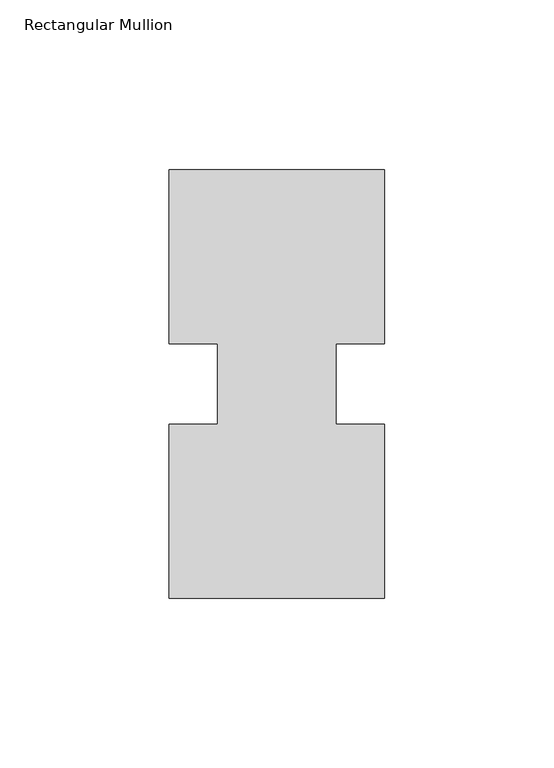
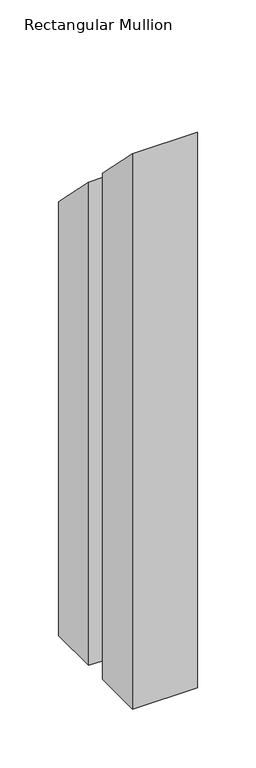
"""IFC4 building model written with IfcOpenShell, lengths in millimetres: member geometry, Rectangular Mullion."""

from ifc_helpers import new_model, si_unit, origin, place, context, project, spatial, faceted_brep, source, transform, mapped, element, save


def rectangular_mullion_bb133a45(model_context):
    return source(origin(), model_context, "Body", "Brep", [
        faceted_brep([(-63.5, 0.26035, -577.81825), (-63.5, 51.60645, -577.81825), (-49.2125, 51.60645, -577.81825), (-49.2125, 75.40625, -577.81825), (-63.5, 75.40625, -577.81825), (-63.5, 126.75235, -577.81825), (0.0, 126.75235, -577.81825), (0.0, 75.40625, -577.81825), (-14.2748, 75.40625, -577.81825), (-14.2748, 51.60645, -577.81825), (0.0, 51.60645, -577.81825), (0.0, 0.26035, -577.81825), (-63.5, 0.26035, -0.26035), (-63.5, 51.60645, -51.60645), (-49.2125, 51.60645, -51.60645), (-49.2125, 75.40625, -75.40625), (-63.5, 75.40625, -75.40625), (-63.5, 126.75235, -126.75235), (0.0, 126.75235, -126.75235), (0.0, 75.40625, -75.40625), (-14.2748, 75.40625, -75.40625), (-14.2748, 51.60645, -51.60645), (0.0, 51.60645, -51.60645), (0.0, 0.26035, -0.26035)], [[[0, 1, 2, 3, 4, 5, 6, 7, 8, 9, 10, 11]], [[12, 13, 1, 0]], [[13, 14, 2, 1]], [[14, 15, 3, 2]], [[15, 16, 4, 3]], [[16, 17, 5, 4]], [[17, 18, 6, 5]], [[18, 19, 7, 6]], [[19, 20, 8, 7]], [[20, 21, 9, 8]], [[21, 22, 10, 9]], [[22, 23, 11, 10]], [[23, 12, 0, 11]], [[12, 23, 22, 21, 20, 19, 18, 17, 16, 15, 14, 13]]]),
    ])


if __name__ == "__main__":
    model = new_model("IFC4")
    model_context = context("Model", 3, world=origin())
    ifc_project = project(units=[si_unit("LENGTHUNIT", "METRE", prefix="MILLI")], contexts=[model_context])
    site = spatial("IfcSite", under=ifc_project)
    building = spatial("IfcBuilding", under=site)
    placement = place(None, origin())
    rectangular_mullion_shape = rectangular_mullion_bb133a45(model_context)
    element("IfcMember", 1, ObjectType="Rectangular Mullion", at=placement, inside=building, context=model_context, shape_type="MappedRepresentation", body=[
        mapped(rectangular_mullion_shape, transform((0.0, 0.0, 0.0), x_axis=(1.0, 0.0, 0.0), y_axis=(0.0, 1.0, 0.0), z_axis=(0.0, 0.0, 1.0))),
    ])
    save(model, "model.ifc")
